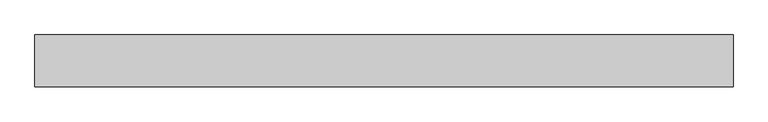
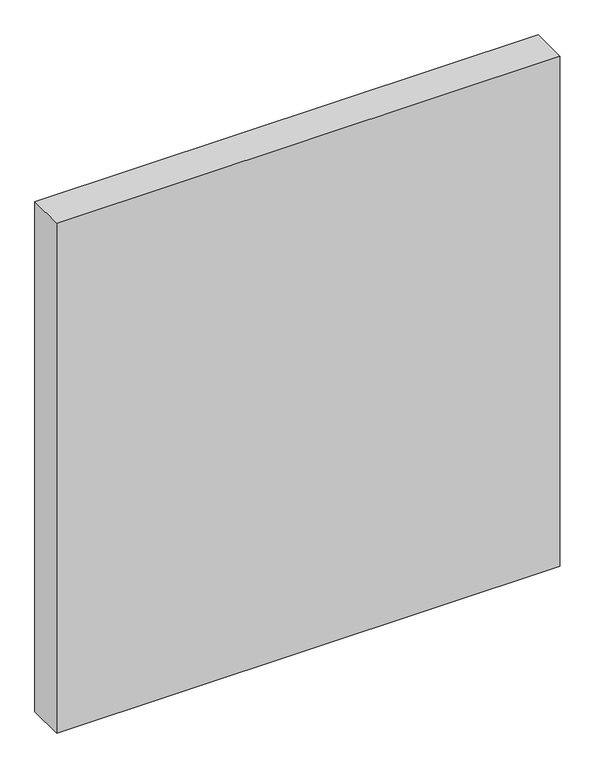
"""IFC4 building model written with IfcOpenShell, lengths in millimetres: proxy geometry."""

from ifc_helpers import new_model, si_unit, frame, origin, place, context, project, spatial, polyline, outline, extrude, source, transform, mapped, element, save


def generic_models_b2448516(model_context):
    return source(origin(), model_context, "Body", "SweptSolid", [
        extrude(outline(polyline([(1176.0, 0.0), (1176.0, -175.0), (-1176.0, -175.0), (-1176.0, 0.0), (1176.0, 0.0)])), frame((0.0, 0.0, -140.0), z_axis=(0.0, 0.0, 1.0), x_axis=(1.0, 0.0, 0.0)), (0.0, 0.0, 1.0), 2520.0),
    ])


if __name__ == "__main__":
    model = new_model("IFC4")
    model_context = context("Model", 3, world=origin())
    ifc_project = project(units=[si_unit("LENGTHUNIT", "METRE", prefix="MILLI")], contexts=[model_context])
    site = spatial("IfcSite", under=ifc_project)
    building = spatial("IfcBuilding", under=site)
    placement = place(None, origin())
    generic_models_shape = generic_models_b2448516(model_context)
    element("IfcBuildingElementProxy", 1, Name="Generic Models", at=placement, inside=building, context=model_context, shape_type="MappedRepresentation", body=[
        mapped(generic_models_shape, transform((0.0, 0.0, 0.0), x_axis=(1.0, 0.0, 0.0), y_axis=(0.0, 1.0, 0.0), z_axis=(0.0, 0.0, 1.0))),
    ])
    save(model, "model.ifc")
